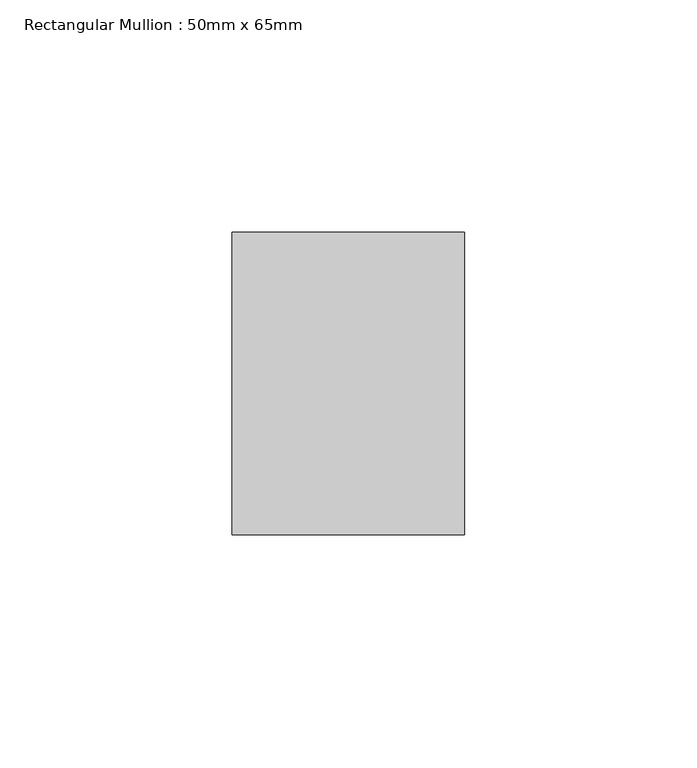
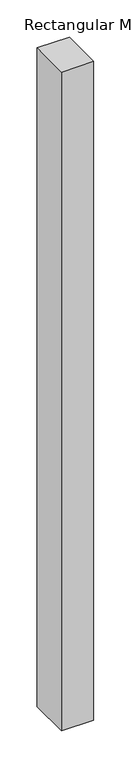
"""IFC4 building model written with IfcOpenShell, lengths in millimetres: member geometry, Rectangular Mullion : 50mm x 65mm."""

from ifc_helpers import new_model, si_unit, frame, origin, place, context, project, spatial, polyline, outline, extrude, source, transform, mapped, element, save


def rectangular_mullion_50mm_x_65mm_7ce588be(model_context):
    return source(origin(), model_context, "Body", "SweptSolid", [
        extrude(outline(polyline([(25.0, 32.5), (25.0, -32.5), (-25.0, -32.5), (-25.0, 32.5), (25.0, 32.5)])), frame((0.0, 0.0, -1078.0447544), z_axis=(0.0, 0.0, 1.0), x_axis=(1.0, 0.0, 0.0)), (0.0, 0.0, 1.0), 1078.0447544),
    ])


if __name__ == "__main__":
    model = new_model("IFC4")
    model_context = context("Model", 3, world=origin())
    ifc_project = project(units=[si_unit("LENGTHUNIT", "METRE", prefix="MILLI")], contexts=[model_context])
    site = spatial("IfcSite", under=ifc_project)
    building = spatial("IfcBuilding", under=site)
    placement = place(None, origin())
    rectangular_mullion_50mm_x_65mm_shape = rectangular_mullion_50mm_x_65mm_7ce588be(model_context)
    element("IfcMember", 1, ObjectType="Rectangular Mullion : 50mm x 65mm", at=placement, inside=building, context=model_context, shape_type="MappedRepresentation", body=[
        mapped(rectangular_mullion_50mm_x_65mm_shape, transform((0.0, 0.0, 0.0), x_axis=(1.0, 0.0, 0.0), y_axis=(0.0, 1.0, 0.0), z_axis=(0.0, 0.0, 1.0))),
    ])
    save(model, "model.ifc")
